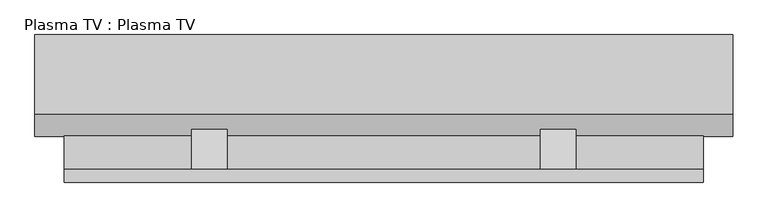
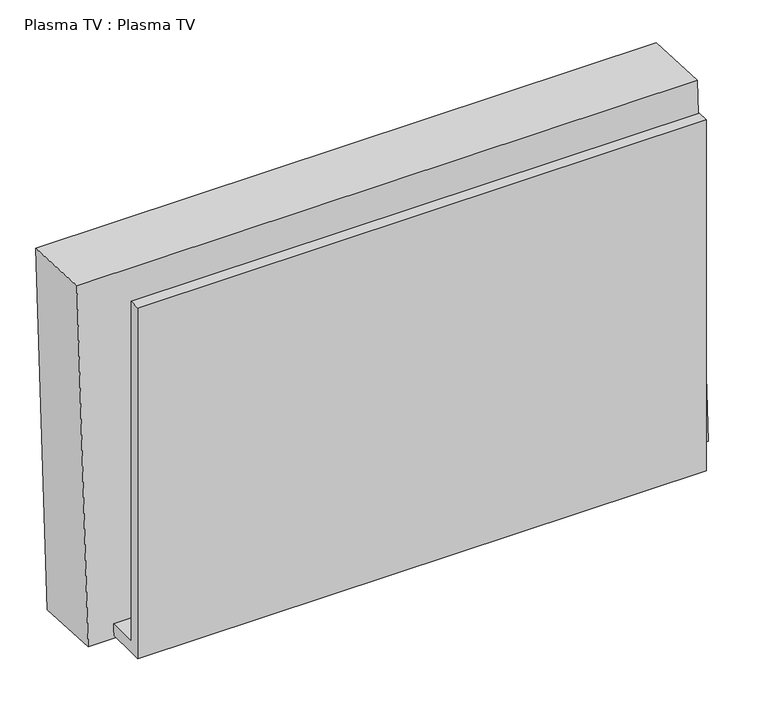
"""IFC4 building model written with IfcOpenShell, lengths in millimetres: proxy geometry, Plasma TV : Plasma TV."""

import ifcopenshell
import ifcopenshell.guid

model = None  # the IFC model being written
_history = None  # IfcOwnerHistory: only IFC2X3 demands one
_inside = {}  # id of a spatial element -> (the spatial element, [elements in it])
_under = {}  # id of a project, library or spatial element -> (it, [spatial elements below it])
_declared = {}  # id of a project -> (the project, [libraries it declares])
_typed = {}  # id of a type object -> (the type object, [elements of that type])
_made_of = {}  # id of a material, layer set ... -> (it, [elements and type objects made of it])


def new_model(schema):
    """Start an empty IFC model of exactly this schema.

    Asked for "IFC4X3", IfcOpenShell would pick the latest addendum, in which some entities
    have other attributes; the version numbers below select the first issue.
    IFC2X3 requires an IfcOwnerHistory on every rooted entity: one is made here for all.
    """
    global model, _history
    if schema == "IFC4X3":
        model = ifcopenshell.file(schema_version=(4, 3, 0, 0))
    else:
        model = ifcopenshell.file(schema=schema)
    _inside.clear()
    _under.clear()
    _declared.clear()
    _typed.clear()
    _made_of.clear()
    _history = None
    if model.schema == "IFC2X3":
        org = make("IfcOrganization", Name="unknown")
        user = make(
            "IfcPersonAndOrganization",
            ThePerson=make("IfcPerson", FamilyName="unknown"),
            TheOrganization=org,
        )
        app = make(
            "IfcApplication",
            ApplicationDeveloper=org,
            Version="unknown",
            ApplicationFullName="unknown",
            ApplicationIdentifier="unknown",
        )
        _history = make(
            "IfcOwnerHistory",
            OwningUser=user,
            OwningApplication=app,
            ChangeAction="ADDED",
            CreationDate=0,
        )
    return model


def make(cls, **values):
    """One entity of the class cls with the attributes given. An attribute that is None is left unset."""
    return model.create_entity(
        cls, **{name: value for name, value in values.items() if value is not None}
    )


def rooted(cls, **values):
    """An entity with a GlobalId (a new one), such as an element, a storey or a relation."""
    return make(cls, GlobalId=ifcopenshell.guid.new(), OwnerHistory=_history, **values)


def si_unit(unit_type, name, prefix=None):
    """IfcSIUnit, for example si_unit("LENGTHUNIT", "METRE", prefix="MILLI")."""
    return make("IfcSIUnit", UnitType=unit_type, Prefix=prefix, Name=name)


def assignment(units):
    """IfcUnitAssignment: the units of a project."""
    return None if units is None else make("IfcUnitAssignment", Units=units)


def point(xyz):
    """IfcCartesianPoint."""
    return None if xyz is None else make("IfcCartesianPoint", Coordinates=xyz)


def direction(xyz):
    """IfcDirection."""
    return None if xyz is None else make("IfcDirection", DirectionRatios=xyz)


def frame(location, z_axis=None, x_axis=None):
    """IfcAxis2Placement3D, a coordinate frame: its origin and axes. An axis left out is left unset."""
    return make(
        "IfcAxis2Placement3D",
        Location=point(location),
        Axis=direction(z_axis),
        RefDirection=direction(x_axis),
    )


def frame_2d(location, x_axis=None):
    """IfcAxis2Placement2D, a coordinate frame in the plane: its origin and x axis."""
    return make(
        "IfcAxis2Placement2D", Location=point(location), RefDirection=direction(x_axis)
    )


def origin():
    """The frame at (0, 0, 0) with its axes left unset."""
    return frame((0.0, 0.0, 0.0))


def place(relative_to, where):
    """IfcLocalPlacement: puts the frame where relative to a parent placement (None: the world)."""
    return make(
        "IfcLocalPlacement", PlacementRelTo=relative_to, RelativePlacement=where
    )


def context(
    kind, dimensions, precision=None, world=None, true_north=None, identifier=None
):
    """IfcGeometricRepresentationContext, for example the 3D "Model" context."""
    return make(
        "IfcGeometricRepresentationContext",
        ContextIdentifier=identifier,
        ContextType=kind,
        CoordinateSpaceDimension=dimensions,
        Precision=precision,
        WorldCoordinateSystem=world,
        TrueNorth=true_north,
    )


def project(units=None, contexts=None):
    """IfcProject with its units and contexts."""
    return rooted(
        "IfcProject",
        Name="project",
        RepresentationContexts=contexts,
        UnitsInContext=assignment(units),
    )


def spatial(cls, under=None, at=None, **own):
    """A site, building, storey or space (cls), placed at a placement, below another one or the project."""
    s = rooted(cls, ObjectPlacement=at, **own)
    if under is not None:
        _under.setdefault(under.id(), (under, []))[1].append(s)
    return s


def polyline(points):
    """IfcPolyline through the points."""
    return make("IfcPolyline", Points=[point(p) for p in points])


def circle_curve(where, radius):
    """IfcCircle in the frame where."""
    return make("IfcCircle", Position=where, Radius=radius)


def trimmed(basis, trim1, trim2, sense, master):
    """IfcTrimmedCurve: the piece of a basis curve between two trims."""
    return make(
        "IfcTrimmedCurve",
        BasisCurve=basis,
        Trim1=trim1,
        Trim2=trim2,
        SenseAgreement=sense,
        MasterRepresentation=master,
    )


def segment(curve, same_sense, transition):
    """IfcCompositeCurveSegment."""
    return make(
        "IfcCompositeCurveSegment",
        Transition=transition,
        SameSense=same_sense,
        ParentCurve=curve,
    )


def composite_curve(segments, self_intersect=None):
    """IfcCompositeCurve: segments joined end to end."""
    return make("IfcCompositeCurve", Segments=segments, SelfIntersect=self_intersect)


def outline(outer, holes=None, kind="AREA"):
    """IfcArbitraryClosedProfileDef: a profile drawn as a closed curve; with holes, ...WithVoids."""
    if holes is None:
        return make("IfcArbitraryClosedProfileDef", ProfileType=kind, OuterCurve=outer)
    return make(
        "IfcArbitraryProfileDefWithVoids",
        ProfileType=kind,
        OuterCurve=outer,
        InnerCurves=holes,
    )


def extrude(swept, where, along, depth):
    """IfcExtrudedAreaSolid: the profile swept, set in the frame where, extruded along a direction by depth."""
    return make(
        "IfcExtrudedAreaSolid",
        SweptArea=swept,
        Position=where,
        ExtrudedDirection=direction(along),
        Depth=depth,
    )


def shape(context_of_items, identifier, shape_type, items):
    """IfcShapeRepresentation: the items that make up one representation, for example the "Body"."""
    return make(
        "IfcShapeRepresentation",
        ContextOfItems=context_of_items,
        RepresentationIdentifier=identifier,
        RepresentationType=shape_type,
        Items=items,
    )


def source(mapping_origin, context_of_items, identifier, shape_type, items):
    """IfcRepresentationMap: a shape defined once, which mapped items show again and again."""
    return make(
        "IfcRepresentationMap",
        MappingOrigin=mapping_origin,
        MappedRepresentation=shape(context_of_items, identifier, shape_type, items),
    )


def transform(
    local_origin,
    x_axis=None,
    y_axis=None,
    z_axis=None,
    scale=None,
    scale2=None,
    scale3=None,
    uniform=True,
):
    """IfcCartesianTransformationOperator3D, or its non-uniform kind. x_axis, y_axis, z_axis: its Axis1, 2, 3."""
    if uniform:
        return make(
            "IfcCartesianTransformationOperator3D",
            Axis1=direction(x_axis),
            Axis2=direction(y_axis),
            LocalOrigin=point(local_origin),
            Scale=scale,
            Axis3=direction(z_axis),
        )
    return make(
        "IfcCartesianTransformationOperator3DnonUniform",
        Axis1=direction(x_axis),
        Axis2=direction(y_axis),
        LocalOrigin=point(local_origin),
        Scale=scale,
        Axis3=direction(z_axis),
        Scale2=scale2,
        Scale3=scale3,
    )


def mapped(mapping_source, mapping_target):
    """IfcMappedItem: shows the shape of a source again, moved by a transform."""
    return make(
        "IfcMappedItem", MappingSource=mapping_source, MappingTarget=mapping_target
    )


def made_of(thing, what):
    """Note that an element or type object is made of a material, layer set ...; save() writes the relation."""
    if what is not None:
        _made_of.setdefault(what.id(), (what, []))[1].append(thing)
    return thing


def element(
    cls,
    number,
    at=None,
    inside=None,
    cuts=None,
    type_object=None,
    material=None,
    context=None,
    identifier="Body",
    shape_type=None,
    held_by="IfcProductDefinitionShape",
    body=None,
    shapes=None,
    **own,
):
    """One element of the class cls, such as IfcWall. Its Tag is "e" and its number.

    at: its placement. inside: the storey or other place that contains it. cuts: it is an
    opening in that element (IfcRelVoidsElement). A single representation is given by context,
    identifier, shape_type and body (its items); several are given by shapes. held_by: the class
    of the entity that holds the representations. save() writes the other relations.
    """
    e = rooted(cls, Tag="e%d" % number, ObjectPlacement=at, **own)
    if body is not None:
        shapes = [shape(context, identifier, shape_type, body)]
    if shapes is not None:
        e.Representation = make(held_by, Representations=shapes)
    if inside is not None:
        _inside.setdefault(inside.id(), (inside, []))[1].append(e)
    if cuts is not None:
        rooted(
            "IfcRelVoidsElement", RelatingBuildingElement=cuts, RelatedOpeningElement=e
        )
    if type_object is not None:
        _typed.setdefault(type_object.id(), (type_object, []))[1].append(e)
    return made_of(e, material)


def aggregate(whole, parts):
    """IfcRelAggregates: a whole, such as a stair, and the parts it consists of."""
    return rooted("IfcRelAggregates", RelatingObject=whole, RelatedObjects=parts)


def save(model, path):
    """Write the relations noted so far, then the file.

    IfcRelAggregates (storeys below a building ...), IfcRelContainedInSpatialStructure (elements
    in a storey), IfcRelDefinesByType, IfcRelAssociatesMaterial and IfcRelDeclares: one each for
    every whole, place, type object, material and project.
    """
    for whole, parts in _under.values():
        aggregate(whole, parts)
    for where, things in _inside.values():
        rooted(
            "IfcRelContainedInSpatialStructure",
            RelatedElements=things,
            RelatingStructure=where,
        )
    for kind, things in _typed.values():
        rooted("IfcRelDefinesByType", RelatedObjects=things, RelatingType=kind)
    for what, things in _made_of.values():
        rooted("IfcRelAssociatesMaterial", RelatedObjects=things, RelatingMaterial=what)
    for by, libraries in _declared.values():
        rooted("IfcRelDeclares", RelatingContext=by, RelatedDefinitions=libraries)
    model.write(path)


def plane_surface(at):
    """IfcPlane: the flat surface through the origin of the frame at, square to its z axis."""
    return make("IfcPlane", Position=at)


def revolved_surface(curve, axis_point, axis_direction):
    """IfcSurfaceOfRevolution: the curve turned about the line through axis_point along axis_direction."""
    return make(
        "IfcSurfaceOfRevolution",
        SweptCurve=make("IfcArbitraryOpenProfileDef", ProfileType="CURVE", Curve=curve),
        AxisPosition=make("IfcAxis1Placement", Location=point(axis_point), Axis=direction(axis_direction)),
    )


def advanced_brep(points, edges, surfaces, faces):
    """IfcAdvancedBrep: a solid bounded by faces that lie on surfaces and meet in shared edges.

    An edge is (start, end): straight between two places in points (the first is 0);
    or (start, end, curve); or (start, end, curve, False) where it runs against its curve.
    A face is (place in surfaces, loops), or (place, loops, False) where it looks against
    its surface's normal. A loop lists edges by number (the first is 1), with a minus sign
    where the edge is run from its end to its start. The first loop is the outer one.
    """
    corners = [point(p) for p in points]
    vertices = [make("IfcVertexPoint", VertexGeometry=c) for c in corners]
    made = []
    for start, end, *more in edges:
        made.append(
            make(
                "IfcEdgeCurve",
                EdgeStart=vertices[start],
                EdgeEnd=vertices[end],
                EdgeGeometry=more[0] if more else make("IfcPolyline", Points=[corners[start], corners[end]]),
                SameSense=more[1] if len(more) > 1 else True,
            )
        )
    hull = []
    for where, loops, *sense in faces:
        bounds = []
        for j, loop in enumerate(loops):
            ring = [make("IfcOrientedEdge", EdgeElement=made[abs(k) - 1], Orientation=k > 0) for k in loop]
            bounds.append(
                make(
                    "IfcFaceOuterBound" if j == 0 else "IfcFaceBound",
                    Bound=make("IfcEdgeLoop", EdgeList=ring),
                    Orientation=True,
                )
            )
        hull.append(make("IfcAdvancedFace", Bounds=bounds, FaceSurface=surfaces[where], SameSense=sense[0] if sense else True))
    return make("IfcAdvancedBrep", Outer=make("IfcClosedShell", CfsFaces=hull))


def plasma_tv_plasma_tv_cc8eaa67(model_context):
    return source(origin(), model_context, "Body", "SolidModel", [
        extrude(outline(composite_curve([segment(trimmed(circle_curve(frame_2d((0.0, -9.0037851)), 9.0037851), [point((0.0, -18.0075701))], [point((0.0, 0.0))], False, "CARTESIAN"), True, "CONTINUOUS"), segment(trimmed(circle_curve(frame_2d((0.0, -9.0037851)), 9.0037851), [point((0.0, 0.0))], [point((0.0, -18.0075701))], False, "CARTESIAN"), True, "CONTINUOUS")], self_intersect=False)), frame((-656.4331651, 240.5253505, 2466.195864), z_axis=(0.0, -0.9986295347545739, 0.05233595624294378), x_axis=(1.0, 0.0, 0.0)), (0.0, 0.0, 1.0), 3.175),
        extrude(outline(composite_curve([segment(trimmed(circle_curve(frame_2d((0.0, -9.0037851)), 9.0037851), [point((0.0, -18.0075701))], [point((0.0, 0.0))], False, "CARTESIAN"), True, "CONTINUOUS"), segment(trimmed(circle_curve(frame_2d((0.0, -9.0037851)), 9.0037851), [point((0.0, 0.0))], [point((0.0, -18.0075701))], False, "CARTESIAN"), True, "CONTINUOUS")], self_intersect=False)), frame((-675.4831651, 240.5253505, 2466.195864), z_axis=(0.0, -0.9986295347545739, 0.05233595624294378), x_axis=(1.0, 0.0, 0.0)), (0.0, 0.0, 1.0), 3.175),
        extrude(outline(polyline([(138.7616051, 2647.7291544), (135.5082889, 2585.6521819), (80.9625, 2680.1282596), (80.9625, 2705.5282596), (138.7616051, 2647.7291544)])), frame((-38.7151563, 0.0, 0.0), z_axis=(1.0, 0.0, 0.0), x_axis=(0.0, 1.0, 0.0)), (0.0, 0.0, 1.0), 50.8),
        extrude(outline(polyline([(138.7616051, 2647.7291544), (135.5082889, 2585.6521819), (80.9625, 2680.1282596), (80.9625, 2705.5282596), (138.7616051, 2647.7291544)])), frame((-537.7854688, 0.0, 0.0), z_axis=(1.0, 0.0, 0.0), x_axis=(0.0, 1.0, 0.0)), (0.0, 0.0, 1.0), 50.8),
        extrude(outline(polyline([(61.9125, 2451.1), (61.9125, 3048.0), (80.9625, 3048.0), (80.9625, 2470.15), (129.455076, 2470.15), (128.4567078, 2451.1), (80.9625, 2451.1), (61.9125, 2451.1)])), frame((-720.0503125, 0.0, 0.0), z_axis=(1.0, 0.0, 0.0), x_axis=(0.0, 1.0, 0.0)), (0.0, 0.0, 1.0), 914.4),
        extrude(outline(polyline([(0.0, -933.053125), (0.0, 0.0), (3.175, 0.0), (3.175, -933.053125), (0.0, -933.053125)])), frame((-729.376875, 237.7077838, 2473.0992385), z_axis=(0.0, 0.052335956242984656, 0.9986295347545718), x_axis=(0.0, 0.9986295347545718, -0.052335956242984656)), (0.0, 0.0, 1.0), 531.4488846),
        extrude(outline(polyline([(0.0, -933.053125), (0.0, 0.0), (76.2, 0.0), (76.2, -933.053125), (0.0, -933.053125)])), frame((-729.376875, 155.2709157, 2477.4195717), z_axis=(0.0, 0.052335956242941954, 0.998629534754574), x_axis=(0.0, 0.998629534754574, -0.052335956242941954)), (0.0, 0.0, 1.0), 531.4488846),
        extrude(outline(composite_curve([segment(trimmed(circle_curve(frame_2d((0.0, -9.0037851)), 9.0037851), [point((0.0, -18.0075701))], [point((0.0, 0.0))], False, "CARTESIAN"), True, "CONTINUOUS"), segment(trimmed(circle_curve(frame_2d((0.0, -9.0037851)), 9.0037851), [point((0.0, 0.0))], [point((0.0, -18.0075701))], False, "CARTESIAN"), True, "CONTINUOUS")], self_intersect=False)), frame((-694.5331651, 240.5253505, 2466.195864), z_axis=(0.0, -0.9986295347545739, 0.05233595624294378), x_axis=(1.0, 0.0, 0.0)), (0.0, 0.0, 1.0), 3.175),
        advanced_brep(
        [(-761.920625, 159.4228194, 3041.9686073), (-761.920625, 128.2025172, 2446.249755), (236.22, 128.2025172, 2446.249755), (236.22, 159.4228194, 3041.9686073), (-761.920625, 273.5661752, 3035.9866075), (236.22, 273.5661752, 3035.9866075), (236.22, 242.3458731, 2440.2677552), (-761.920625, 242.3458731, 2440.2677552), (-729.376875, 271.8629669, 3003.4874576), (-729.376875, 244.0490813, 2472.7669052), (203.67625, 244.0490813, 2472.7669052), (203.67625, 271.8629669, 3003.4874576), (-694.5331651, 242.907645, 2450.9870027), (-694.5331651, 243.5723117, 2463.6695978), (-675.4831651, 242.907645, 2450.9870027), (-675.4831651, 243.5723117, 2463.6695978), (-656.4331651, 242.907645, 2450.9870027), (-656.4331651, 243.5723117, 2463.6695978), (-729.376875, 183.0848013, 3008.1401241), (203.67625, 183.0848013, 3008.1401241), (203.67625, 155.2709157, 2477.4195717), (-729.376875, 155.2709157, 2477.4195717), (-694.5331651, 154.1294794, 2455.6396693), (-694.5331651, 154.794146, 2468.3222643), (-675.4831651, 154.1294794, 2455.6396693), (-675.4831651, 154.794146, 2468.3222643), (-656.4331651, 154.1294794, 2455.6396693), (-656.4331651, 154.794146, 2468.3222643)],
        [
            (0, 1),
            (1, 2),
            (2, 3),
            (3, 0),
            (4, 5),
            (5, 6),
            (6, 7),
            (7, 4),
            (8, 9),
            (9, 10),
            (10, 11),
            (11, 8),
            (12, 13, circle_curve(frame((-694.5331651, 243.2399783, 2457.3283003), z_axis=(0.0, -0.9986295347545739, 0.05233595624294378), x_axis=(0.0, 0.05233595624294378, 0.9986295347545739)), 6.35)),
            (13, 12, circle_curve(frame((-694.5331651, 243.2399783, 2457.3283003), z_axis=(0.0, -0.9986295347545739, 0.05233595624294378), x_axis=(0.0, 0.05233595624294378, 0.9986295347545739)), 6.35)),
            (14, 15, circle_curve(frame((-675.4831651, 243.2399783, 2457.3283003), z_axis=(0.0, -0.9986295347545739, 0.05233595624294378), x_axis=(0.0, 0.05233595624294378, 0.9986295347545739)), 6.35)),
            (15, 14, circle_curve(frame((-675.4831651, 243.2399783, 2457.3283003), z_axis=(0.0, -0.9986295347545739, 0.05233595624294378), x_axis=(0.0, 0.05233595624294378, 0.9986295347545739)), 6.35)),
            (16, 17, circle_curve(frame((-656.4331651, 243.2399783, 2457.3283003), z_axis=(0.0, -0.9986295347545739, 0.05233595624294378), x_axis=(0.0, 0.05233595624294378, 0.9986295347545739)), 6.35)),
            (17, 16, circle_curve(frame((-656.4331651, 243.2399783, 2457.3283003), z_axis=(0.0, -0.9986295347545739, 0.05233595624294378), x_axis=(0.0, 0.05233595624294378, 0.9986295347545739)), 6.35)),
            (0, 4),
            (7, 1),
            (6, 2),
            (5, 3),
            (18, 19),
            (19, 20),
            (20, 21),
            (21, 18),
            (21, 9),
            (8, 18),
            (20, 10),
            (19, 11),
            (22, 23, circle_curve(frame((-694.5331651, 154.4618127, 2461.9809668), z_axis=(0.0, 0.9986295347545739, -0.05233595624294378), x_axis=(0.0, 0.05233595624294378, 0.9986295347545739)), 6.35)),
            (23, 22, circle_curve(frame((-694.5331651, 154.4618127, 2461.9809668), z_axis=(0.0, 0.9986295347545739, -0.05233595624294378), x_axis=(0.0, 0.05233595624294378, 0.9986295347545739)), 6.35)),
            (24, 25, circle_curve(frame((-675.4831651, 154.4618127, 2461.9809668), z_axis=(0.0, 0.9986295347545739, -0.05233595624294378), x_axis=(0.0, 0.05233595624294378, 0.9986295347545739)), 6.35)),
            (25, 24, circle_curve(frame((-675.4831651, 154.4618127, 2461.9809668), z_axis=(0.0, 0.9986295347545739, -0.05233595624294378), x_axis=(0.0, 0.05233595624294378, 0.9986295347545739)), 6.35)),
            (26, 27, circle_curve(frame((-656.4331651, 154.4618127, 2461.9809668), z_axis=(0.0, 0.9986295347545739, -0.05233595624294378), x_axis=(0.0, 0.05233595624294378, 0.9986295347545739)), 6.35)),
            (27, 26, circle_curve(frame((-656.4331651, 154.4618127, 2461.9809668), z_axis=(0.0, 0.9986295347545739, -0.05233595624294378), x_axis=(0.0, 0.05233595624294378, 0.9986295347545739)), 6.35)),
            (23, 13),
            (12, 22),
            (25, 15),
            (14, 24),
            (27, 17),
            (16, 26),
        ],
        [
            plane_surface(frame((-761.920625, 159.4228194, 3041.9686073), z_axis=(0.0, -0.9986295347545739, 0.05233595624294378), x_axis=(0.0, -0.05233595624294378, -0.9986295347545739))),
            plane_surface(frame((-761.920625, 273.5661752, 3035.9866075), z_axis=(0.0, 0.9986295347545739, -0.05233595624294378), x_axis=(0.0, 0.05233595624294378, 0.9986295347545739))),
            plane_surface(frame((-761.920625, 159.4228194, 3041.9686073), z_axis=(-1.0000000000000002, 0.0, 0.0), x_axis=(0.0, 0.998629534754574, -0.05233595624294197))),
            plane_surface(frame((-761.920625, 128.2025172, 2446.249755), z_axis=(0.0, -0.05233595624294196, -0.998629534754574), x_axis=(0.0, 0.998629534754574, -0.05233595624294196))),
            plane_surface(frame((236.22, 128.2025172, 2446.249755), z_axis=(1.0000000000000002, 0.0, 0.0), x_axis=(0.0, 0.998629534754574, -0.05233595624294196))),
            plane_surface(frame((236.22, 159.4228194, 3041.9686073), z_axis=(0.0, 0.05233595624294197, 0.998629534754574), x_axis=(0.0, 0.998629534754574, -0.05233595624294197))),
            plane_surface(frame((-729.376875, 183.0848013, 3008.1401241), z_axis=(0.0, 0.9986295347545739, -0.05233595624294378), x_axis=(0.0, -0.05233595624294378, -0.9986295347545739))),
            plane_surface(frame((-729.376875, 183.0848013, 3008.1401241), z_axis=(1.0000000000000002, 0.0, 0.0), x_axis=(0.0, 0.998629534754574, -0.05233595624294197))),
            plane_surface(frame((-729.376875, 155.2709157, 2477.4195717), z_axis=(0.0, 0.05233595624294197, 0.998629534754574), x_axis=(0.0, 0.998629534754574, -0.05233595624294197))),
            plane_surface(frame((203.67625, 155.2709157, 2477.4195717), z_axis=(-1.0000000000000002, 0.0, 0.0), x_axis=(0.0, 0.998629534754574, -0.05233595624294197))),
            plane_surface(frame((203.67625, 183.0848013, 3008.1401241), z_axis=(0.0, -0.05233595624294197, -0.998629534754574), x_axis=(0.0, 0.998629534754574, -0.05233595624294197))),
            plane_surface(frame((-694.5331651, 154.794146, 2468.3222643), z_axis=(0.0, 0.9986295347545739, -0.05233595624294377), x_axis=(-1.0, 0.0, 0.0))),
            revolved_surface(polyline([(-694.5331651, 154.79414600286253, 2468.3222643546205), (-694.5331651, 243.5723117021748, 2463.6695978414978)]), (-694.5331651, 243.2399783, 2457.3283003), (0.0, -0.9986295347545739, 0.05233595624294378)),
            revolved_surface(polyline([(-675.4831651, 154.79414600299884, 2468.3222643572212), (-675.4831651, 243.57231170231108, 2463.669597844098)]), (-675.4831651, 129.0966225, 2463.3103001), (0.0, -0.9986295347545739, 0.05233595624294378)),
            revolved_surface(polyline([(-656.4331651, 154.79414600299884, 2468.3222643572212), (-656.4331651, 243.57231170231108, 2463.669597844098)]), (-656.4331651, 129.0966225, 2463.3103001), (0.0, -0.9986295347545739, 0.05233595624294378)),
        ],
        [
            (0, [[1, 2, 3, 4]]),
            (1, [[5, 6, 7, 8], [9, 10, 11, 12], [13, 14], [15, 16], [17, 18]]),
            (2, [[-1, 19, -8, 20]]),
            (3, [[-2, -20, -7, 21]]),
            (4, [[-3, -21, -6, 22]]),
            (5, [[-4, -22, -5, -19]]),
            (6, [[23, 24, 25, 26]]),
            (7, [[-26, 27, -9, 28]]),
            (8, [[-25, 29, -10, -27]]),
            (9, [[-24, 30, -11, -29]]),
            (10, [[-23, -28, -12, -30]]),
            (11, [[31, 32]]),
            (11, [[33, 34]]),
            (11, [[35, 36]]),
            (12, [[-32, 37, -13, 38]]),
            (12, [[-31, -38, -14, -37]]),
            (13, [[-34, 39, -15, 40]]),
            (13, [[-33, -40, -16, -39]]),
            (14, [[-36, 41, -17, 42]]),
            (14, [[-35, -42, -18, -41]]),
        ],
    ),
    ])


if __name__ == "__main__":
    model = new_model("IFC4")
    model_context = context("Model", 3, world=origin())
    ifc_project = project(units=[si_unit("LENGTHUNIT", "METRE", prefix="MILLI")], contexts=[model_context])
    site = spatial("IfcSite", under=ifc_project)
    building = spatial("IfcBuilding", under=site)
    placement = place(None, origin())
    plasma_tv_plasma_tv_shape = plasma_tv_plasma_tv_cc8eaa67(model_context)
    element("IfcBuildingElementProxy", 1, Name="Plasma TV : Plasma TV", ObjectType="Plasma TV : Plasma TV", at=placement, inside=building, context=model_context, shape_type="MappedRepresentation", body=[
        mapped(plasma_tv_plasma_tv_shape, transform((0.0, 0.0, 0.0), x_axis=(1.0, 0.0, 0.0), y_axis=(0.0, 1.0, 0.0), z_axis=(0.0, 0.0, 1.0))),
    ])
    save(model, "model.ifc")
